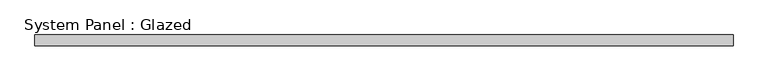
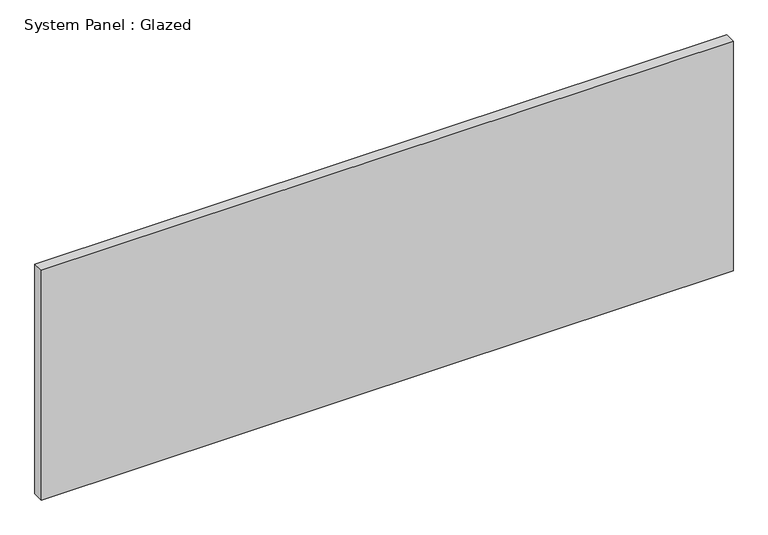
"""IFC4 building model written with IfcOpenShell, lengths in millimetres: plate geometry, System Panel : Glazed."""

from ifc_helpers import new_model, si_unit, origin, origin_with_axes, place, context, project, spatial, polyline, outline, extrude, source, transform, mapped, element, save


def system_panel_glazed_95cc6530(model_context):
    return source(origin(), model_context, "Body", "SweptSolid", [
        extrude(outline(polyline([(794.0628487, 24.5), (-794.0628487, 24.5), (-794.0628487, 49.5), (794.0628487, 49.5), (794.0628487, 24.5)])), origin_with_axes(), (0.0, 0.0, 1.0), 557.4833333),
    ])


if __name__ == "__main__":
    model = new_model("IFC4")
    model_context = context("Model", 3, world=origin())
    ifc_project = project(units=[si_unit("LENGTHUNIT", "METRE", prefix="MILLI")], contexts=[model_context])
    site = spatial("IfcSite", under=ifc_project)
    building = spatial("IfcBuilding", under=site)
    placement = place(None, origin())
    system_panel_glazed_shape = system_panel_glazed_95cc6530(model_context)
    element("IfcPlate", 1, ObjectType="System Panel : Glazed", at=placement, inside=building, context=model_context, shape_type="MappedRepresentation", body=[
        mapped(system_panel_glazed_shape, transform((0.0, 0.0, 0.0), x_axis=(1.0, 0.0, 0.0), y_axis=(0.0, 1.0, 0.0), z_axis=(0.0, 0.0, 1.0))),
    ])
    save(model, "model.ifc")
